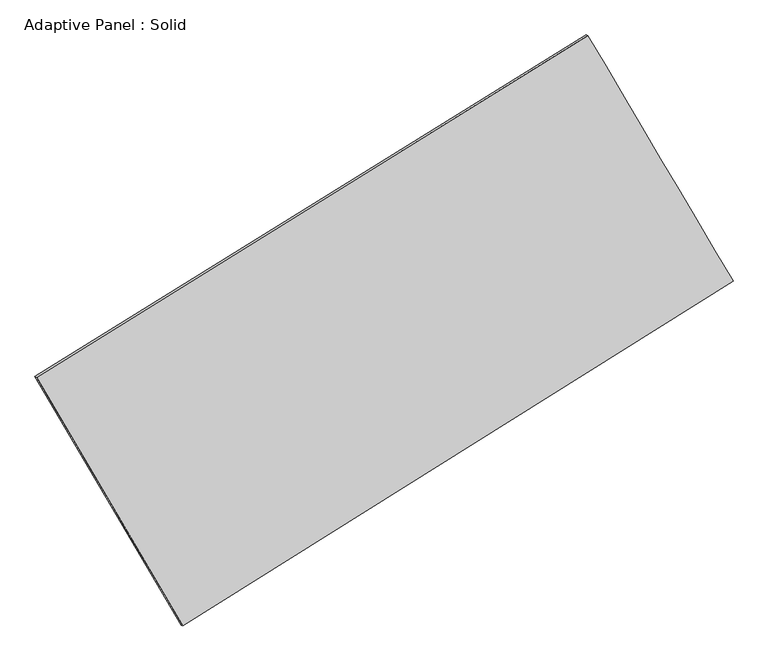
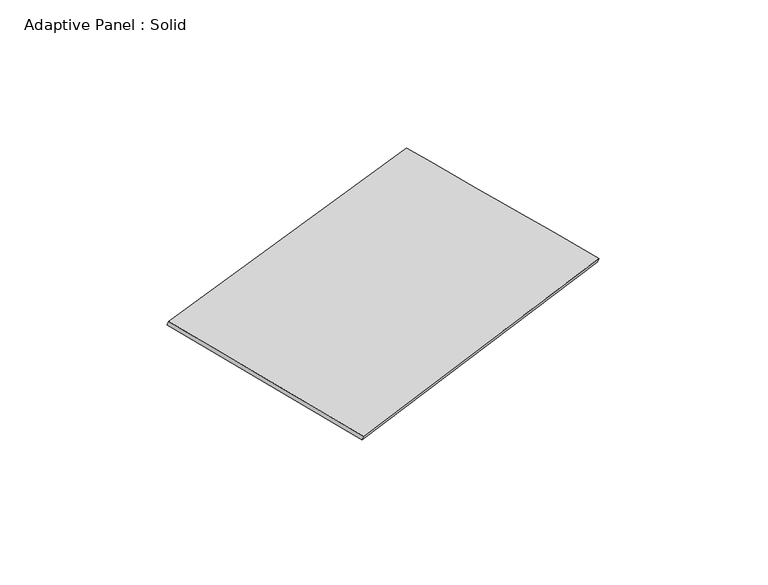
"""IFC4 building model written with IfcOpenShell, lengths in millimetres: plate geometry, Adaptive Panel : Solid."""

from ifc_helpers import new_model, si_unit, frame, origin, place, context, project, spatial, source, transform, mapped, element, save
from ifc_brep_helpers import plane_surface, spline_surface, advanced_brep


def adaptive_panel_solid_76359178(model_context):
    return source(origin(), model_context, "Body", "AdvancedBrep", [
        advanced_brep(
        [(1156.5392948, 2525.6313417, 655.2367306), (-3757.2790956, -521.9422334, 1786.1728062), (-3742.6127398, -528.3223268, 1833.5457142), (1171.2056507, 2519.2512482, 702.6096386), (-2453.3012903, -2739.0973532, 1063.9222597), (-2438.6349345, -2745.4774467, 1111.2951677), (2450.7505129, 335.1596721, -20.2092763), (2465.4168688, 328.7795786, 27.1636317)],
        [
            (0, 1),
            (1, 2),
            (2, 3),
            (3, 0),
            (1, 4),
            (4, 5),
            (5, 2),
            (4, 6),
            (6, 7),
            (7, 5),
            (6, 0),
            (3, 7),
        ],
        [
            plane_surface(frame((-1300.3699004, 1001.8445541, 1220.7047684), z_axis=(-0.46559484958197905, 0.8465100001320687, 0.2581516138224584), x_axis=(-0.8340214190959451, -0.5172640573783054, 0.19195355540786274))),
            plane_surface(frame((-3105.2901929, -1630.5197933, 1425.0475329), z_axis=(-0.8207911898521739, -0.5417436745046332, 0.1811508040149718), x_axis=(0.48807728510316273, -0.8298784282496313, -0.27033748924677026))),
            plane_surface(frame((-1.2753887, -1201.9688406, 521.8564917), z_axis=(0.471145388386369, -0.8430490117844615, -0.25940390654633694), x_axis=(0.8327982251451801, 0.5220654057144212, -0.18410548158942708))),
            plane_surface(frame((1803.6449039, 1430.3955069, 317.5137272), z_axis=(0.821170706326479, 0.5410998346231738, -0.18135501107508933), x_axis=(-0.4916523194660875, 0.8321288380301994, 0.2565922712829178))),
            spline_surface(1, 1, [[(-3742.6127398, -528.3223268, 1833.5457142), (1171.2056507, 2519.2512482, 702.6096386)], [(-2438.6349345, -2745.4774467, 1111.2951677), (2465.4168688, 328.7795786, 27.1636317)]], [2, 2], [2, 2], [0.0, 1.0], [0.0, 1.0]),
            spline_surface(1, 1, [[(2450.7505129, 335.1596721, -20.2092763), (1156.5392948, 2525.6313417, 655.2367306)], [(-2453.3012903, -2739.0973532, 1063.9222597), (-3757.2790956, -521.9422334, 1786.1728062)]], [2, 2], [2, 2], [0.0, 1.0], [0.0, 1.0]),
        ],
        [
            (0, [[1, 2, 3, 4]]),
            (1, [[5, 6, 7, -2]]),
            (2, [[8, 9, 10, -6]]),
            (3, [[11, -4, 12, -9]]),
            (4, [[-3, -7, -10, -12]]),
            (5, [[-11, -8, -5, -1]]),
        ],
    ),
    ])


if __name__ == "__main__":
    model = new_model("IFC4")
    model_context = context("Model", 3, world=origin())
    ifc_project = project(units=[si_unit("LENGTHUNIT", "METRE", prefix="MILLI")], contexts=[model_context])
    site = spatial("IfcSite", under=ifc_project)
    building = spatial("IfcBuilding", under=site)
    placement = place(None, origin())
    adaptive_panel_solid_shape = adaptive_panel_solid_76359178(model_context)
    element("IfcPlate", 1, ObjectType="Adaptive Panel : Solid", at=placement, inside=building, context=model_context, shape_type="MappedRepresentation", body=[
        mapped(adaptive_panel_solid_shape, transform((0.0, 0.0, 0.0), x_axis=(1.0, 0.0, 0.0), y_axis=(0.0, 1.0, 0.0), z_axis=(0.0, 0.0, 1.0))),
    ])
    save(model, "model.ifc")
